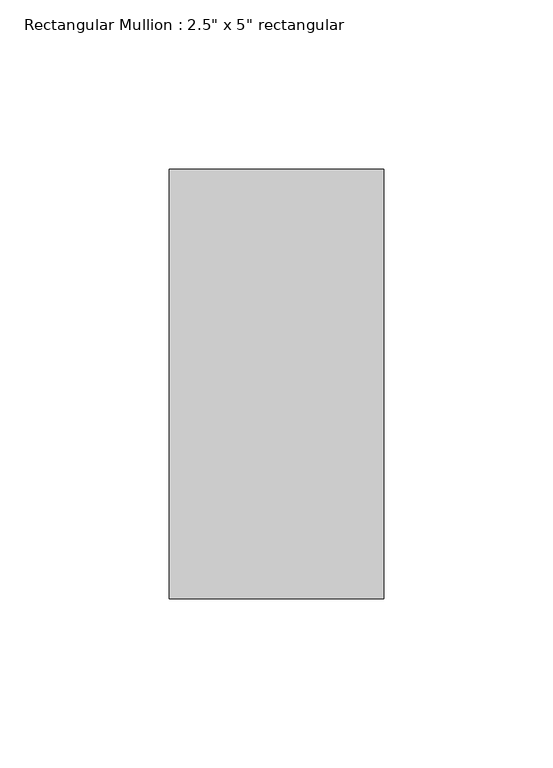
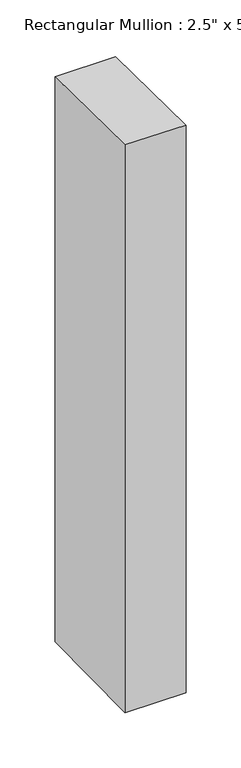
"""IFC4 building model written with IfcOpenShell, lengths in millimetres: member geometry."""

from ifc_helpers import new_model, si_unit, origin, place, context, project, spatial, faceted_brep, source, transform, mapped, element, save


def member_ce9c8aab(model_context):
    return source(origin(), model_context, "Body", "Brep", [
        faceted_brep([(-63.5, 63.5, -0.5667773), (0.0, 63.5, -0.7370608), (0.0, 63.5, -625.3698989), (-63.5, 63.5, -625.355182), (-63.5, -63.5, 0.9073443), (-63.5, -63.5, -626.8276243), (0.0, -63.5, 0.7370608), (0.0, -63.5, -626.8423411)], [[[0, 1, 2, 3]], [[4, 0, 3, 5]], [[6, 4, 5, 7]], [[1, 6, 7, 2]], [[1, 0, 4, 6]], [[2, 7, 5, 3]]]),
    ])


if __name__ == "__main__":
    model = new_model("IFC4")
    model_context = context("Model", 3, world=origin())
    ifc_project = project(units=[si_unit("LENGTHUNIT", "METRE", prefix="MILLI")], contexts=[model_context])
    site = spatial("IfcSite", under=ifc_project)
    building = spatial("IfcBuilding", under=site)
    placement = place(None, origin())
    member_shape = member_ce9c8aab(model_context)
    element("IfcMember", 1, ObjectType="Rectangular Mullion : 2.5\" x 5\" rectangular", at=placement, inside=building, context=model_context, shape_type="MappedRepresentation", body=[
        mapped(member_shape, transform((0.0, 0.0, 0.0), x_axis=(1.0, 0.0, 0.0), y_axis=(0.0, 1.0, 0.0), z_axis=(0.0, 0.0, 1.0))),
    ])
    save(model, "model.ifc")
